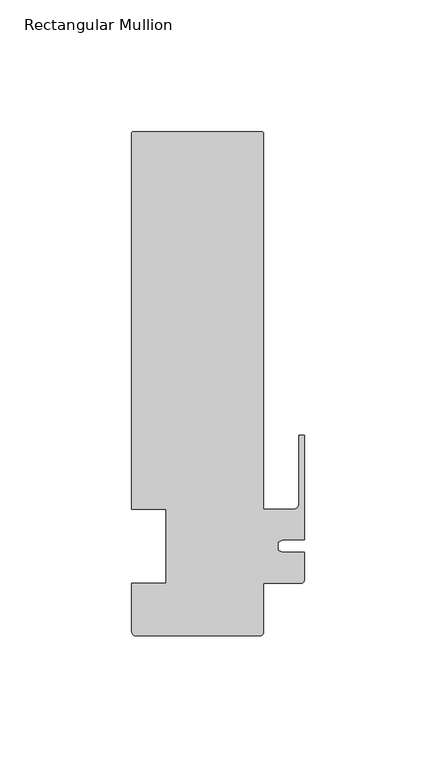
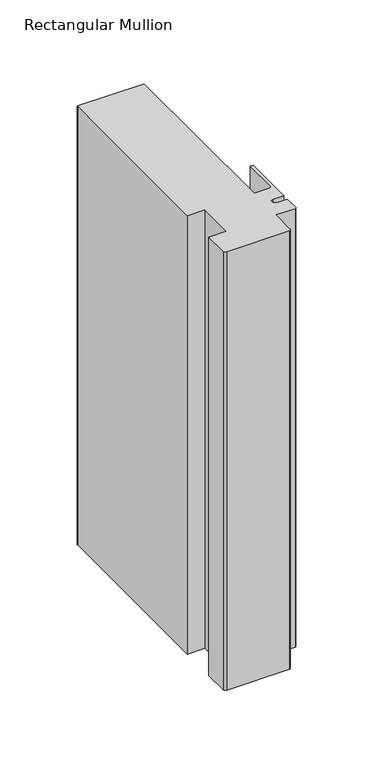
"""IFC4 building model written with IfcOpenShell, lengths in millimetres: member geometry, Rectangular Mullion."""

from ifc_helpers import new_model, si_unit, frame, origin, place, context, project, spatial, polyline, circle_curve, source, transform, mapped, element, save
from ifc_brep_helpers import plane_surface, cylinder_surface, revolved_surface, advanced_brep


def rectangular_mullion_641175b4(model_context):
    return source(origin(), model_context, "Body", "AdvancedBrep", [
        advanced_brep(
        [(-15.9119017, 157.000001, 0.0), (-64.9119017, 157.000001, 0.0), (-65.4119017, 156.500001, 0.0), (-65.4119017, 14.0, 0.0), (-52.4119017, 14.0, 0.0), (-52.4119017, -14.0, 0.0), (-65.4119018, -14.0, 0.0), (-65.4119018, -32.3824565, 0.0), (-63.7943593, -33.999999, 0.0), (-16.9850595, -33.999999, 0.0), (-15.4119016, -32.4268412, 0.0), (-15.4119016, -14.0, 0.0), (-1.0000001, -14.0, 0.0), (0.0, -12.9950012, 0.0), (0.0, -2.3717384, 0.0), (-8.0873177, -2.3717384, 0.0), (-9.9999999, -1.4798401, 0.0), (-9.9999999, 1.5598311, 0.0), (-8.1376447, 2.4282616, 0.0), (0.0, 2.4282616, 0.0), (0.0, 42.000001, 0.0), (-2.0000001, 42.000001, 0.0), (-2.0000001, 16.0000006, 0.0), (-4.0, 14.0000007, 0.0), (-15.4119017, 14.0, 0.0), (-15.4119017, 156.500001, 0.0), (-15.9119017, 157.000001, -347.0919278), (-15.4119017, 156.500001, -347.0919278), (-15.4119017, 14.0, -347.0919278), (-4.0000001, 14.0, -347.0919278), (-2.0000001, 16.0000006, -347.0919278), (-2.0000001, 42.000001, -347.0919278), (0.0, 42.000001, -347.0919278), (0.0, 2.4282616, -347.0919278), (-8.1376447, 2.4282616, -347.0919278), (-9.9999999, 1.5598311, -347.0919278), (-9.9999999, -1.4798401, -347.0919278), (-8.0873177, -2.3717384, -347.0919278), (0.0, -2.3717384, -347.0919278), (0.0, -12.9950012, -347.0919278), (-1.0000001, -13.9950013, -347.0919278), (-15.4119016, -14.0, -347.0919278), (-15.4119016, -32.4268412, -347.0919278), (-16.9850595, -33.999999, -347.0919278), (-63.7943593, -33.999999, -347.0919278), (-65.4119018, -32.3824565, -347.0919278), (-65.4119018, -14.0, -347.0919278), (-52.4119017, -14.0, -347.0919278), (-52.4119017, 14.0, -347.0919278), (-65.4119017, 14.0, -347.0919278), (-65.4119017, 156.500001, -347.0919278), (-64.9119017, 157.000001, -347.0919278)],
        [
            (0, 1),
            (1, 2, circle_curve(frame((-64.9119017, 156.500001, 0.0), z_axis=(0.0, 0.0, 1.0), x_axis=(1.0, 0.0, 0.0)), 0.5)),
            (2, 3),
            (3, 4),
            (4, 5),
            (5, 6),
            (6, 7),
            (7, 8, circle_curve(frame((-63.7943593, -32.3824565, 0.0), z_axis=(0.0, 0.0, 1.0), x_axis=(1.0, 0.0, 0.0)), 1.6175425)),
            (8, 9),
            (9, 10, circle_curve(frame((-16.9850595, -32.4268412, 0.0), z_axis=(0.0, 0.0, 1.0), x_axis=(1.0, 0.0, 0.0)), 1.5731578)),
            (10, 11),
            (11, 12),
            (12, 13, circle_curve(frame((-1.0000001, -12.9950012, 0.0), z_axis=(0.0, 0.0, 1.0), x_axis=(1.0, 0.0, 0.0)), 1.0000001)),
            (13, 14),
            (14, 15),
            (15, 16),
            (16, 17),
            (17, 18),
            (18, 19),
            (19, 20),
            (20, 21),
            (21, 22),
            (22, 23, circle_curve(frame((-4.0, 16.0000006, 0.0), z_axis=(0.0, 0.0, -1.0), x_axis=(1.0, 0.0, 0.0)), 1.9999999)),
            (23, 24),
            (24, 25),
            (25, 0, circle_curve(frame((-15.9119017, 156.500001, 0.0), z_axis=(0.0, 0.0, 1.0), x_axis=(1.0, 0.0, 0.0)), 0.5)),
            (26, 27, circle_curve(frame((-15.9119017, 156.500001, -347.0919278), z_axis=(0.0, 0.0, -1.0), x_axis=(1.0, 0.0, 0.0)), 0.5)),
            (27, 28),
            (28, 29),
            (29, 30, circle_curve(frame((-4.0, 16.0000006, -347.0919278), z_axis=(0.0, 0.0, 1.0), x_axis=(1.0, 0.0, 0.0)), 1.9999999)),
            (30, 31),
            (31, 32),
            (32, 33),
            (33, 34),
            (34, 35),
            (35, 36),
            (36, 37),
            (37, 38),
            (38, 39),
            (39, 40, circle_curve(frame((-1.0000001, -12.9950012, -347.0919278), z_axis=(0.0, 0.0, -1.0), x_axis=(1.0, 0.0, 0.0)), 1.0000001)),
            (40, 41),
            (41, 42),
            (42, 43, circle_curve(frame((-16.9850595, -32.4268412, -347.0919278), z_axis=(0.0, 0.0, -1.0), x_axis=(1.0, 0.0, 0.0)), 1.5731578)),
            (43, 44),
            (44, 45, circle_curve(frame((-63.7943593, -32.3824565, -347.0919278), z_axis=(0.0, 0.0, -1.0), x_axis=(1.0, 0.0, 0.0)), 1.6175425)),
            (45, 46),
            (46, 47),
            (47, 48),
            (48, 49),
            (49, 50),
            (50, 51, circle_curve(frame((-64.9119017, 156.500001, -347.0919278), z_axis=(0.0, 0.0, -1.0), x_axis=(1.0, 0.0, 0.0)), 0.5)),
            (51, 26),
            (0, 26),
            (51, 1),
            (50, 2),
            (49, 3),
            (48, 4),
            (47, 5),
            (46, 6),
            (45, 7),
            (44, 8),
            (43, 9),
            (42, 10),
            (41, 11),
            (40, 12),
            (39, 13),
            (38, 14),
            (37, 15),
            (36, 16),
            (35, 17),
            (34, 18),
            (33, 19),
            (32, 20),
            (31, 21),
            (30, 22),
            (29, 23),
            (28, 24),
            (27, 25),
        ],
        [
            plane_surface(frame((0.0, -169.8900149, 0.0), z_axis=(0.0, 0.0, 1.0), x_axis=(-1.0, 0.0, 0.0))),
            plane_surface(frame((0.0, -169.8900149, -347.0919278), z_axis=(0.0, 0.0, -1.0), x_axis=(-1.0, 0.0, 0.0))),
            plane_surface(frame((-15.9119017, 157.000001, 0.0), z_axis=(0.0, 1.0, 0.0), x_axis=(0.0, 0.0, -1.0))),
            cylinder_surface(frame((-64.9119017, 156.500001, 0.0), z_axis=(0.0, 0.0, 1.0), x_axis=(1.0, 0.0, 0.0)), 0.5),
            plane_surface(frame((-65.4119017, 156.500001, 0.0), z_axis=(-1.0, 0.0, 0.0), x_axis=(0.0, 0.0, -1.0))),
            plane_surface(frame((-65.4119017, 14.0, 0.0), z_axis=(0.0, -1.0, 0.0), x_axis=(0.0, 0.0, -1.0))),
            plane_surface(frame((-52.4119017, 14.0, 0.0), z_axis=(-1.0, 0.0, 0.0), x_axis=(0.0, 0.0, -1.0))),
            plane_surface(frame((-52.4119017, -14.0, 0.0), z_axis=(0.0, 1.0, 0.0), x_axis=(0.0, 0.0, -1.0))),
            plane_surface(frame((-65.4119018, -14.0, 0.0), z_axis=(-1.0, 0.0, 0.0), x_axis=(0.0, 0.0, -1.0))),
            cylinder_surface(frame((-63.7943593, -32.3824565, 0.0), z_axis=(0.0, 0.0, 1.0), x_axis=(1.0, 0.0, 0.0)), 1.6175425),
            plane_surface(frame((-63.7943593, -33.999999, 0.0), z_axis=(0.0, -1.0, 0.0), x_axis=(0.0, 0.0, -1.0))),
            cylinder_surface(frame((-16.9850595, -32.4268412, 0.0), z_axis=(0.0, 0.0, 1.0), x_axis=(1.0, 0.0, 0.0)), 1.5731578),
            plane_surface(frame((-15.4119016, -32.4268412, 0.0), z_axis=(1.0, 0.0, 0.0), x_axis=(0.0, 0.0, -1.0))),
            plane_surface(frame((-15.4119016, -14.0, 0.0), z_axis=(0.0, -1.0, 0.0), x_axis=(0.0, 0.0, -1.0))),
            cylinder_surface(frame((-1.0000001, -12.9950012, 0.0), z_axis=(0.0, 0.0, 1.0), x_axis=(1.0, 0.0, 0.0)), 1.0000001),
            plane_surface(frame((0.0, -12.9950012, 0.0), z_axis=(1.0, 0.0, 0.0), x_axis=(0.0, 0.0, -1.0))),
            plane_surface(frame((0.0, -2.3717384, 0.0), z_axis=(0.0, 1.0, 0.0), x_axis=(0.0, 0.0, -1.0))),
            plane_surface(frame((-8.0873177, -2.3717384, 0.0), z_axis=(0.42261826174182476, 0.9063077870361252, 0.0), x_axis=(0.0, 0.0, -1.0))),
            plane_surface(frame((-9.9999999, -1.4798401, 0.0), z_axis=(1.0, 0.0, 0.0), x_axis=(0.0, 0.0, -1.0))),
            plane_surface(frame((-9.9999999, 1.5598311, 0.0), z_axis=(0.4226182617404111, -0.9063077870367845, 0.0), x_axis=(0.0, 0.0, -1.0))),
            plane_surface(frame((-8.1376447, 2.4282616, 0.0), z_axis=(0.0, -1.0, 0.0), x_axis=(0.0, 0.0, -1.0))),
            plane_surface(frame((0.0, 2.4282616, 0.0), z_axis=(1.0, 0.0, 0.0), x_axis=(0.0, 0.0, -1.0))),
            plane_surface(frame((0.0, 42.000001, 0.0), z_axis=(0.0, 1.0, 0.0), x_axis=(0.0, 0.0, -1.0))),
            plane_surface(frame((-2.0000001, 42.000001, 0.0), z_axis=(-1.0, 0.0, 0.0), x_axis=(0.0, 0.0, -1.0))),
            revolved_surface(polyline([(-2.0000001000000003, 16.0000006, -347.0919278), (-2.0000001000000003, 16.0000006, 0.0)]), (-4.0, 16.0000006, 0.0), (0.0, 0.0, -1.0)),
            plane_surface(frame((-4.0000001, 14.0, 0.0), z_axis=(0.0, 1.0, 0.0), x_axis=(0.0, 0.0, -1.0))),
            plane_surface(frame((-15.4119017, 14.0, 0.0), z_axis=(1.0, 0.0, 0.0), x_axis=(0.0, 0.0, -1.0))),
            cylinder_surface(frame((-15.9119017, 156.500001, 0.0), z_axis=(0.0, 0.0, 1.0), x_axis=(1.0, 0.0, 0.0)), 0.5),
        ],
        [
            (0, [[1, 2, 3, 4, 5, 6, 7, 8, 9, 10, 11, 12, 13, 14, 15, 16, 17, 18, 19, 20, 21, 22, 23, 24, 25, 26]]),
            (1, [[27, 28, 29, 30, 31, 32, 33, 34, 35, 36, 37, 38, 39, 40, 41, 42, 43, 44, 45, 46, 47, 48, 49, 50, 51, 52]]),
            (2, [[-1, 53, -52, 54]]),
            (3, [[-2, -54, -51, 55]]),
            (4, [[-3, -55, -50, 56]]),
            (5, [[-4, -56, -49, 57]]),
            (6, [[-5, -57, -48, 58]]),
            (7, [[-6, -58, -47, 59]]),
            (8, [[-7, -59, -46, 60]]),
            (9, [[-8, -60, -45, 61]]),
            (10, [[-9, -61, -44, 62]]),
            (11, [[-10, -62, -43, 63]]),
            (12, [[-11, -63, -42, 64]]),
            (13, [[-12, -64, -41, 65]]),
            (14, [[-13, -65, -40, 66]]),
            (15, [[-14, -66, -39, 67]]),
            (16, [[-15, -67, -38, 68]]),
            (17, [[-16, -68, -37, 69]]),
            (18, [[-17, -69, -36, 70]]),
            (19, [[-18, -70, -35, 71]]),
            (20, [[-19, -71, -34, 72]]),
            (21, [[-20, -72, -33, 73]]),
            (22, [[-21, -73, -32, 74]]),
            (23, [[-22, -74, -31, 75]]),
            (24, [[-23, -75, -30, 76]]),
            (25, [[-24, -76, -29, 77]]),
            (26, [[-25, -77, -28, 78]]),
            (27, [[-26, -78, -27, -53]]),
        ],
    ),
    ])


if __name__ == "__main__":
    model = new_model("IFC4")
    model_context = context("Model", 3, world=origin())
    ifc_project = project(units=[si_unit("LENGTHUNIT", "METRE", prefix="MILLI")], contexts=[model_context])
    site = spatial("IfcSite", under=ifc_project)
    building = spatial("IfcBuilding", under=site)
    placement = place(None, origin())
    rectangular_mullion_shape = rectangular_mullion_641175b4(model_context)
    element("IfcMember", 1, ObjectType="Rectangular Mullion", at=placement, inside=building, context=model_context, shape_type="MappedRepresentation", body=[
        mapped(rectangular_mullion_shape, transform((0.0, 0.0, 0.0), x_axis=(1.0, 0.0, 0.0), y_axis=(0.0, 1.0, 0.0), z_axis=(0.0, 0.0, 1.0))),
    ])
    save(model, "model.ifc")
